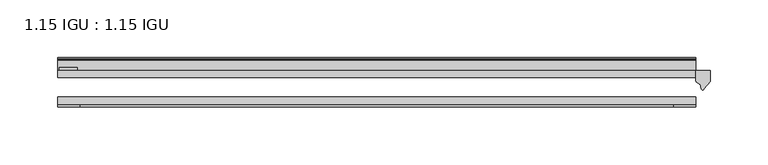
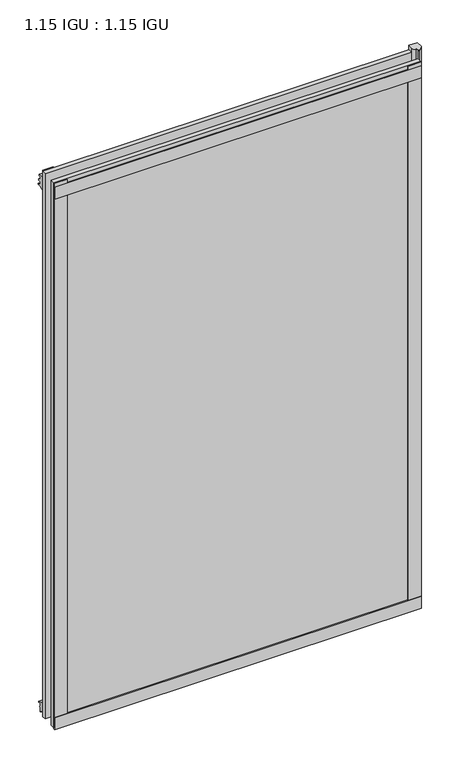
"""IFC4 building model written with IfcOpenShell, lengths in millimetres: plate geometry, 1.15 IGU : 1.15 IGU."""

from ifc_helpers import new_model, si_unit, point, frame, frame_2d, origin, place, context, project, spatial, polyline, circle_curve, trimmed, segment, composite_curve, outline, extrude, source, transform, mapped, element, save


def plate_1_15_igu_1_15_igu_f977f8f6(model_context):
    return source(origin(), model_context, "Body", "SweptSolid", [
        extrude(outline(polyline([(276.2170252, 0.0), (276.2170252, -6.2992), (-276.2170252, -6.2992), (-276.2170252, 0.0), (276.2170252, 0.0)])), frame((0.0, 0.0, -17.4498), z_axis=(0.0, 0.0, 1.0), x_axis=(1.0, 0.0, 0.0)), (0.0, 0.0, 1.0), 868.3366072),
        extrude(outline(polyline([(-276.2170252, -23.1648), (276.2170252, -23.1648), (276.2170252, -29.464), (-276.2170252, -29.464), (-276.2170252, -23.1648)])), frame((0.0, 0.0, -17.4498), z_axis=(0.0, 0.0, 1.0), x_axis=(1.0, 0.0, 0.0)), (0.0, 0.0, 1.0), 868.3366072),
        extrude(outline(composite_curve([segment(polyline([(288.9170252, 0.0), (288.9170252, -9.7395025), (283.3507943, -16.3730781)]), True, "CONTINUOUS"), segment(trimmed(circle_curve(frame_2d((282.3971193, -15.7728374)), 1.1268473), [point((283.3507943, -16.3730781))], [point((281.2961664, -16.0130197))], False, "CARTESIAN"), True, "CONTINUOUS"), segment(polyline([(281.2961664, -16.0130197), (280.3159749, -11.7377885)]), True, "CONTINUOUS"), segment(trimmed(circle_curve(frame_2d((280.1885231, -7.7683362)), 3.9714979), [point((280.3159749, -11.7377885))], [point((276.2172038, -7.8060014))], False, "CARTESIAN"), True, "CONTINUOUS"), segment(polyline([(276.2172038, -7.8060014), (276.2172038, 0.0), (288.9170252, 0.0)]), True, "CONTINUOUS")], self_intersect=False)), frame((0.0, 0.0, -17.4498), z_axis=(0.0, 0.0, 1.0), x_axis=(1.0, 0.0, 0.0)), (0.0, 0.0, 1.0), 875.4740072),
        extrude(outline(polyline([(-276.2170252, -31.75), (-276.2170252, -29.464), (276.2170252, -29.464), (276.2170252, -31.75), (-276.2170252, -31.75)])), frame((0.0, 0.0, -19.05), z_axis=(0.0, 0.0, 1.0), x_axis=(1.0, 0.0, 0.0)), (0.0, 0.0, 1.0), 19.05),
        extrude(outline(composite_curve([segment(trimmed(circle_curve(frame_2d((13.6593785, 32.4202472)), 31.3046461), [point((0.0, 4.2528503))], [point((9.3980339, 1.406995))], True, "CARTESIAN"), True, "CONTINUOUS"), segment(polyline([(9.3980339, 1.406995), (9.3980339, 0.0254), (6.35, 0.0254), (6.35, -5.1625788), (7.7309478, -5.3970663), (6.35, -8.0073788), (6.35, -11.8471127)]), True, "CONTINUOUS"), segment(trimmed(circle_curve(frame_2d((5.334, -11.8471127)), 1.016), [point((6.35, -11.8471127))], [point((4.6284878, -12.5782136))], False, "CARTESIAN"), True, "CONTINUOUS"), segment(trimmed(circle_curve(frame_2d((-23.3689302, -41.5910901)), 40.3187601), [point((4.6284878, -12.5782136))], [point((0.0, -8.735413))], True, "CARTESIAN"), True, "CONTINUOUS"), segment(polyline([(0.0, -8.735413), (0.0, 4.2528503)]), True, "CONTINUOUS")], self_intersect=False)), frame((-276.2170252, 0.0, 0.0), z_axis=(1.0, 0.0, 0.0), x_axis=(0.0, 1.0, 0.0)), (0.0, 0.0, 1.0), 552.4340504),
        extrude(outline(composite_curve([segment(polyline([(8.509, 840.7300284), (8.509, 838.6980284), (6.35, 838.6980284), (6.35, 833.3640284), (8.9492698, 833.3640284)]), True, "CONTINUOUS"), segment(trimmed(circle_curve(frame_2d((8.208689, 831.8368072)), 1.697311), [point((8.9492698, 833.3640284))], [point((8.962411, 830.3160284))], False, "CARTESIAN"), True, "CONTINUOUS"), segment(polyline([(8.962411, 830.3160284), (6.35, 830.3160284), (6.35, 825.4868072), (11.1252, 825.4868072), (11.1252, 824.5978072)]), True, "CONTINUOUS"), segment(trimmed(circle_curve(frame_2d((10.1092, 824.5978072)), 1.016), [point((11.1252, 824.5978072))], [point((10.1092, 823.5818072))], False, "CARTESIAN"), True, "CONTINUOUS"), segment(trimmed(circle_curve(frame_2d((10.1092, 804.1707318)), 19.4110754), [point((10.1092, 823.5818072))], [point((0.0, 820.7416075))], True, "CARTESIAN"), True, "CONTINUOUS"), segment(polyline([(0.0, 820.7416075), (0.0, 840.7300284), (8.509, 840.7300284)]), True, "CONTINUOUS")], self_intersect=False)), frame((-276.2170252, 0.0, 0.0), z_axis=(1.0, 0.0, 0.0), x_axis=(0.0, 1.0, 0.0)), (0.0, 0.0, 1.0), 552.4340504),
        extrude(outline(polyline([(-276.2170252, -31.75), (-276.2170252, -29.464), (276.2170252, -29.464), (276.2170252, -31.75), (-276.2170252, -31.75)])), frame((0.0, 0.0, 825.4868072), z_axis=(0.0, 0.0, 1.0), x_axis=(1.0, 0.0, 0.0)), (0.0, 0.0, 1.0), 19.05),
        extrude(outline(polyline([(257.1670252, -29.464), (276.2170252, -29.464), (276.2170252, -31.75), (257.1670252, -31.75), (257.1670252, -29.464)])), frame((0.0, 0.0, -17.4498), z_axis=(0.0, 0.0, 1.0), x_axis=(1.0, 0.0, 0.0)), (0.0, 0.0, 1.0), 868.3366072),
        extrude(outline(polyline([(-276.2170252, -31.75), (-276.2170252, -29.464), (-257.1670252, -29.464), (-257.1670252, -31.75), (-276.2170252, -31.75)])), frame((0.0, 0.0, -17.4498), z_axis=(0.0, 0.0, 1.0), x_axis=(1.0, 0.0, 0.0)), (0.0, 0.0, 1.0), 868.3366072),
        extrude(outline(polyline([(-275.0105252, 0.0), (-275.0105252, 2.286), (-259.1355252, 2.286), (-259.1355252, 0.0), (-275.0105252, 0.0)])), frame((0.0, 0.0, -17.4498), z_axis=(0.0, 0.0, 1.0), x_axis=(1.0, 0.0, 0.0)), (0.0, 0.0, 1.0), 868.3366072),
    ])


if __name__ == "__main__":
    model = new_model("IFC4")
    model_context = context("Model", 3, world=origin())
    ifc_project = project(units=[si_unit("LENGTHUNIT", "METRE", prefix="MILLI")], contexts=[model_context])
    site = spatial("IfcSite", under=ifc_project)
    building = spatial("IfcBuilding", under=site)
    placement = place(None, origin())
    plate_1_15_igu_1_15_igu_shape = plate_1_15_igu_1_15_igu_f977f8f6(model_context)
    element("IfcPlate", 1, ObjectType="1.15 IGU : 1.15 IGU", at=placement, inside=building, context=model_context, shape_type="MappedRepresentation", body=[
        mapped(plate_1_15_igu_1_15_igu_shape, transform((0.0, 0.0, 0.0), x_axis=(1.0, 0.0, 0.0), y_axis=(0.0, 1.0, 0.0), z_axis=(0.0, 0.0, 1.0))),
    ])
    save(model, "model.ifc")
